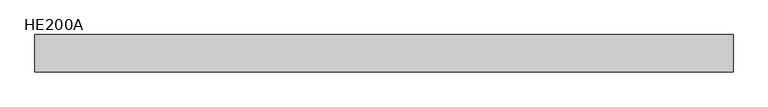
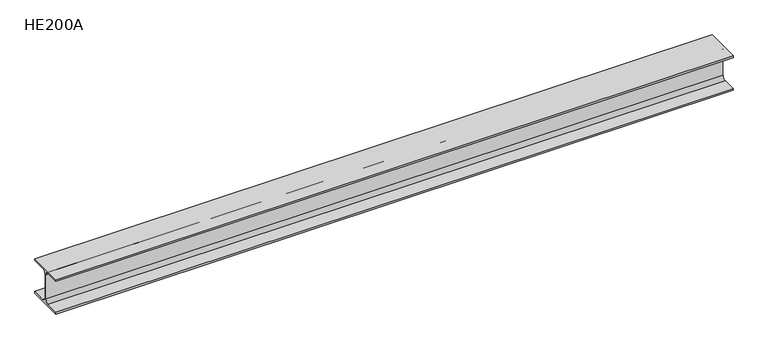
"""IFC4 building model written with IfcOpenShell, lengths in millimetres: beam geometry, HE200A."""

import ifcopenshell
import ifcopenshell.guid

model = None  # the IFC model being written
_history = None  # IfcOwnerHistory: only IFC2X3 demands one
_inside = {}  # id of a spatial element -> (the spatial element, [elements in it])
_under = {}  # id of a project, library or spatial element -> (it, [spatial elements below it])
_declared = {}  # id of a project -> (the project, [libraries it declares])
_typed = {}  # id of a type object -> (the type object, [elements of that type])
_made_of = {}  # id of a material, layer set ... -> (it, [elements and type objects made of it])


def new_model(schema):
    """Start an empty IFC model of exactly this schema.

    Asked for "IFC4X3", IfcOpenShell would pick the latest addendum, in which some entities
    have other attributes; the version numbers below select the first issue.
    IFC2X3 requires an IfcOwnerHistory on every rooted entity: one is made here for all.
    """
    global model, _history
    if schema == "IFC4X3":
        model = ifcopenshell.file(schema_version=(4, 3, 0, 0))
    else:
        model = ifcopenshell.file(schema=schema)
    _inside.clear()
    _under.clear()
    _declared.clear()
    _typed.clear()
    _made_of.clear()
    _history = None
    if model.schema == "IFC2X3":
        org = make("IfcOrganization", Name="unknown")
        user = make(
            "IfcPersonAndOrganization",
            ThePerson=make("IfcPerson", FamilyName="unknown"),
            TheOrganization=org,
        )
        app = make(
            "IfcApplication",
            ApplicationDeveloper=org,
            Version="unknown",
            ApplicationFullName="unknown",
            ApplicationIdentifier="unknown",
        )
        _history = make(
            "IfcOwnerHistory",
            OwningUser=user,
            OwningApplication=app,
            ChangeAction="ADDED",
            CreationDate=0,
        )
    return model


def make(cls, **values):
    """One entity of the class cls with the attributes given. An attribute that is None is left unset."""
    return model.create_entity(
        cls, **{name: value for name, value in values.items() if value is not None}
    )


def rooted(cls, **values):
    """An entity with a GlobalId (a new one), such as an element, a storey or a relation."""
    return make(cls, GlobalId=ifcopenshell.guid.new(), OwnerHistory=_history, **values)


def si_unit(unit_type, name, prefix=None):
    """IfcSIUnit, for example si_unit("LENGTHUNIT", "METRE", prefix="MILLI")."""
    return make("IfcSIUnit", UnitType=unit_type, Prefix=prefix, Name=name)


def assignment(units):
    """IfcUnitAssignment: the units of a project."""
    return None if units is None else make("IfcUnitAssignment", Units=units)


def point(xyz):
    """IfcCartesianPoint."""
    return None if xyz is None else make("IfcCartesianPoint", Coordinates=xyz)


def direction(xyz):
    """IfcDirection."""
    return None if xyz is None else make("IfcDirection", DirectionRatios=xyz)


def frame(location, z_axis=None, x_axis=None):
    """IfcAxis2Placement3D, a coordinate frame: its origin and axes. An axis left out is left unset."""
    return make(
        "IfcAxis2Placement3D",
        Location=point(location),
        Axis=direction(z_axis),
        RefDirection=direction(x_axis),
    )


def frame_2d(location, x_axis=None):
    """IfcAxis2Placement2D, a coordinate frame in the plane: its origin and x axis."""
    return make(
        "IfcAxis2Placement2D", Location=point(location), RefDirection=direction(x_axis)
    )


def origin():
    """The frame at (0, 0, 0) with its axes left unset."""
    return frame((0.0, 0.0, 0.0))


def place(relative_to, where):
    """IfcLocalPlacement: puts the frame where relative to a parent placement (None: the world)."""
    return make(
        "IfcLocalPlacement", PlacementRelTo=relative_to, RelativePlacement=where
    )


def context(
    kind, dimensions, precision=None, world=None, true_north=None, identifier=None
):
    """IfcGeometricRepresentationContext, for example the 3D "Model" context."""
    return make(
        "IfcGeometricRepresentationContext",
        ContextIdentifier=identifier,
        ContextType=kind,
        CoordinateSpaceDimension=dimensions,
        Precision=precision,
        WorldCoordinateSystem=world,
        TrueNorth=true_north,
    )


def project(units=None, contexts=None):
    """IfcProject with its units and contexts."""
    return rooted(
        "IfcProject",
        Name="project",
        RepresentationContexts=contexts,
        UnitsInContext=assignment(units),
    )


def spatial(cls, under=None, at=None, **own):
    """A site, building, storey or space (cls), placed at a placement, below another one or the project."""
    s = rooted(cls, ObjectPlacement=at, **own)
    if under is not None:
        _under.setdefault(under.id(), (under, []))[1].append(s)
    return s


def polyline(points):
    """IfcPolyline through the points."""
    return make("IfcPolyline", Points=[point(p) for p in points])


def circle_curve(where, radius):
    """IfcCircle in the frame where."""
    return make("IfcCircle", Position=where, Radius=radius)


def trimmed(basis, trim1, trim2, sense, master):
    """IfcTrimmedCurve: the piece of a basis curve between two trims."""
    return make(
        "IfcTrimmedCurve",
        BasisCurve=basis,
        Trim1=trim1,
        Trim2=trim2,
        SenseAgreement=sense,
        MasterRepresentation=master,
    )


def segment(curve, same_sense, transition):
    """IfcCompositeCurveSegment."""
    return make(
        "IfcCompositeCurveSegment",
        Transition=transition,
        SameSense=same_sense,
        ParentCurve=curve,
    )


def composite_curve(segments, self_intersect=None):
    """IfcCompositeCurve: segments joined end to end."""
    return make("IfcCompositeCurve", Segments=segments, SelfIntersect=self_intersect)


def outline(outer, holes=None, kind="AREA"):
    """IfcArbitraryClosedProfileDef: a profile drawn as a closed curve; with holes, ...WithVoids."""
    if holes is None:
        return make("IfcArbitraryClosedProfileDef", ProfileType=kind, OuterCurve=outer)
    return make(
        "IfcArbitraryProfileDefWithVoids",
        ProfileType=kind,
        OuterCurve=outer,
        InnerCurves=holes,
    )


def extrude(swept, where, along, depth):
    """IfcExtrudedAreaSolid: the profile swept, set in the frame where, extruded along a direction by depth."""
    return make(
        "IfcExtrudedAreaSolid",
        SweptArea=swept,
        Position=where,
        ExtrudedDirection=direction(along),
        Depth=depth,
    )


def shape(context_of_items, identifier, shape_type, items):
    """IfcShapeRepresentation: the items that make up one representation, for example the "Body"."""
    return make(
        "IfcShapeRepresentation",
        ContextOfItems=context_of_items,
        RepresentationIdentifier=identifier,
        RepresentationType=shape_type,
        Items=items,
    )


def source(mapping_origin, context_of_items, identifier, shape_type, items):
    """IfcRepresentationMap: a shape defined once, which mapped items show again and again."""
    return make(
        "IfcRepresentationMap",
        MappingOrigin=mapping_origin,
        MappedRepresentation=shape(context_of_items, identifier, shape_type, items),
    )


def transform(
    local_origin,
    x_axis=None,
    y_axis=None,
    z_axis=None,
    scale=None,
    scale2=None,
    scale3=None,
    uniform=True,
):
    """IfcCartesianTransformationOperator3D, or its non-uniform kind. x_axis, y_axis, z_axis: its Axis1, 2, 3."""
    if uniform:
        return make(
            "IfcCartesianTransformationOperator3D",
            Axis1=direction(x_axis),
            Axis2=direction(y_axis),
            LocalOrigin=point(local_origin),
            Scale=scale,
            Axis3=direction(z_axis),
        )
    return make(
        "IfcCartesianTransformationOperator3DnonUniform",
        Axis1=direction(x_axis),
        Axis2=direction(y_axis),
        LocalOrigin=point(local_origin),
        Scale=scale,
        Axis3=direction(z_axis),
        Scale2=scale2,
        Scale3=scale3,
    )


def mapped(mapping_source, mapping_target):
    """IfcMappedItem: shows the shape of a source again, moved by a transform."""
    return make(
        "IfcMappedItem", MappingSource=mapping_source, MappingTarget=mapping_target
    )


def made_of(thing, what):
    """Note that an element or type object is made of a material, layer set ...; save() writes the relation."""
    if what is not None:
        _made_of.setdefault(what.id(), (what, []))[1].append(thing)
    return thing


def element(
    cls,
    number,
    at=None,
    inside=None,
    cuts=None,
    type_object=None,
    material=None,
    context=None,
    identifier="Body",
    shape_type=None,
    held_by="IfcProductDefinitionShape",
    body=None,
    shapes=None,
    **own,
):
    """One element of the class cls, such as IfcWall. Its Tag is "e" and its number.

    at: its placement. inside: the storey or other place that contains it. cuts: it is an
    opening in that element (IfcRelVoidsElement). A single representation is given by context,
    identifier, shape_type and body (its items); several are given by shapes. held_by: the class
    of the entity that holds the representations. save() writes the other relations.
    """
    e = rooted(cls, Tag="e%d" % number, ObjectPlacement=at, **own)
    if body is not None:
        shapes = [shape(context, identifier, shape_type, body)]
    if shapes is not None:
        e.Representation = make(held_by, Representations=shapes)
    if inside is not None:
        _inside.setdefault(inside.id(), (inside, []))[1].append(e)
    if cuts is not None:
        rooted(
            "IfcRelVoidsElement", RelatingBuildingElement=cuts, RelatedOpeningElement=e
        )
    if type_object is not None:
        _typed.setdefault(type_object.id(), (type_object, []))[1].append(e)
    return made_of(e, material)


def aggregate(whole, parts):
    """IfcRelAggregates: a whole, such as a stair, and the parts it consists of."""
    return rooted("IfcRelAggregates", RelatingObject=whole, RelatedObjects=parts)


def save(model, path):
    """Write the relations noted so far, then the file.

    IfcRelAggregates (storeys below a building ...), IfcRelContainedInSpatialStructure (elements
    in a storey), IfcRelDefinesByType, IfcRelAssociatesMaterial and IfcRelDeclares: one each for
    every whole, place, type object, material and project.
    """
    for whole, parts in _under.values():
        aggregate(whole, parts)
    for where, things in _inside.values():
        rooted(
            "IfcRelContainedInSpatialStructure",
            RelatedElements=things,
            RelatingStructure=where,
        )
    for kind, things in _typed.values():
        rooted("IfcRelDefinesByType", RelatedObjects=things, RelatingType=kind)
    for what, things in _made_of.values():
        rooted("IfcRelAssociatesMaterial", RelatedObjects=things, RelatingMaterial=what)
    for by, libraries in _declared.values():
        rooted("IfcRelDeclares", RelatingContext=by, RelatedDefinitions=libraries)
    model.write(path)


def he200a_e01363de(model_context):
    return source(origin(), model_context, "Body", "SweptSolid", [
        extrude(outline(composite_curve([segment(polyline([(100.0, -90.0), (100.0, -100.0), (-100.0, -100.0), (-100.0, -90.0), (-24.0, -90.0)]), True, "CONTINUOUS"), segment(trimmed(circle_curve(frame_2d((-24.0, -70.0)), 20.0), [point((-24.0, -90.0))], [point((-4.0, -70.0))], True, "CARTESIAN"), True, "CONTINUOUS"), segment(polyline([(-4.0, -70.0), (-4.0, 70.0)]), True, "CONTINUOUS"), segment(trimmed(circle_curve(frame_2d((-24.0, 70.0)), 20.0), [point((-4.0, 70.0))], [point((-24.0, 90.0))], True, "CARTESIAN"), True, "CONTINUOUS"), segment(polyline([(-24.0, 90.0), (-100.0, 90.0), (-100.0, 100.0), (100.0, 100.0), (100.0, 90.0), (24.0, 90.0)]), True, "CONTINUOUS"), segment(trimmed(circle_curve(frame_2d((24.0, 70.0)), 20.0), [point((24.0, 90.0))], [point((4.0, 70.0))], True, "CARTESIAN"), True, "CONTINUOUS"), segment(polyline([(4.0, 70.0), (4.0, -70.0)]), True, "CONTINUOUS"), segment(trimmed(circle_curve(frame_2d((24.0, -70.0)), 20.0), [point((4.0, -70.0))], [point((24.0, -90.0))], True, "CARTESIAN"), True, "CONTINUOUS"), segment(polyline([(24.0, -90.0), (100.0, -90.0)]), True, "CONTINUOUS")], self_intersect=False)), frame((-1902.5, 0.0, 0.0), z_axis=(1.0, 0.0, 0.0), x_axis=(0.0, 1.0, 0.0)), (0.0, 0.0, 1.0), 3716.0),
    ])


if __name__ == "__main__":
    model = new_model("IFC4")
    model_context = context("Model", 3, world=origin())
    ifc_project = project(units=[si_unit("LENGTHUNIT", "METRE", prefix="MILLI")], contexts=[model_context])
    site = spatial("IfcSite", under=ifc_project)
    building = spatial("IfcBuilding", under=site)
    placement = place(None, origin())
    he200a_shape = he200a_e01363de(model_context)
    element("IfcBeam", 1, ObjectType="HE200A", at=placement, inside=building, context=model_context, shape_type="MappedRepresentation", body=[
        mapped(he200a_shape, transform((0.0, 0.0, 0.0), x_axis=(1.0, 0.0, 0.0), y_axis=(0.0, 1.0, 0.0), z_axis=(0.0, 0.0, 1.0))),
    ])
    save(model, "model.ifc")
